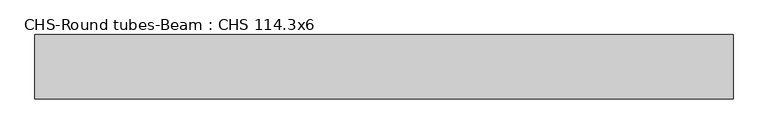
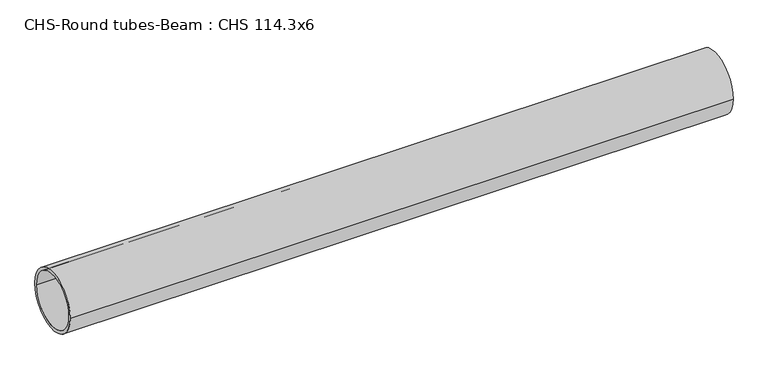
"""IFC4 building model written with IfcOpenShell, lengths in millimetres: beam geometry, CHS-Round tubes-Beam : CHS 114.3x6."""

from ifc_helpers import new_model, si_unit, point, frame, origin, origin_2d, place, context, project, spatial, circle_curve, trimmed, segment, composite_curve, outline, extrude, source, transform, mapped, element, save


def chs_round_tubes_beam_chs_114_3x6_24a33daf(model_context):
    return source(origin(), model_context, "Body", "SweptSolid", [
        extrude(outline(composite_curve([segment(trimmed(circle_curve(origin_2d(), 57.15), [point((57.15, 0.0))], [point((-57.15, 0.0))], False, "CARTESIAN"), True, "CONTINUOUS"), segment(trimmed(circle_curve(origin_2d(), 57.15), [point((-57.15, 0.0))], [point((57.15, 0.0))], False, "CARTESIAN"), True, "CONTINUOUS")], self_intersect=False), holes=[composite_curve([segment(trimmed(circle_curve(origin_2d(), 51.15), [point((51.15, 0.0))], [point((-51.15, 0.0))], True, "CARTESIAN"), True, "CONTINUOUS"), segment(trimmed(circle_curve(origin_2d(), 51.15), [point((-51.15, 0.0))], [point((51.15, 0.0))], True, "CARTESIAN"), True, "CONTINUOUS")], self_intersect=False)]), frame((-631.2237911, 0.0, 0.0), z_axis=(1.0, 0.0, 0.0), x_axis=(0.0, 1.0, 0.0)), (0.0, 0.0, 1.0), 1236.0256145),
    ])


if __name__ == "__main__":
    model = new_model("IFC4")
    model_context = context("Model", 3, world=origin())
    ifc_project = project(units=[si_unit("LENGTHUNIT", "METRE", prefix="MILLI")], contexts=[model_context])
    site = spatial("IfcSite", under=ifc_project)
    building = spatial("IfcBuilding", under=site)
    placement = place(None, origin())
    chs_round_tubes_beam_chs_114_3x6_shape = chs_round_tubes_beam_chs_114_3x6_24a33daf(model_context)
    element("IfcBeam", 1, ObjectType="CHS-Round tubes-Beam : CHS 114.3x6", at=placement, inside=building, context=model_context, shape_type="MappedRepresentation", body=[
        mapped(chs_round_tubes_beam_chs_114_3x6_shape, transform((0.0, 0.0, 0.0), x_axis=(1.0, 0.0, 0.0), y_axis=(0.0, 1.0, 0.0), z_axis=(0.0, 0.0, 1.0))),
    ])
    save(model, "model.ifc")
